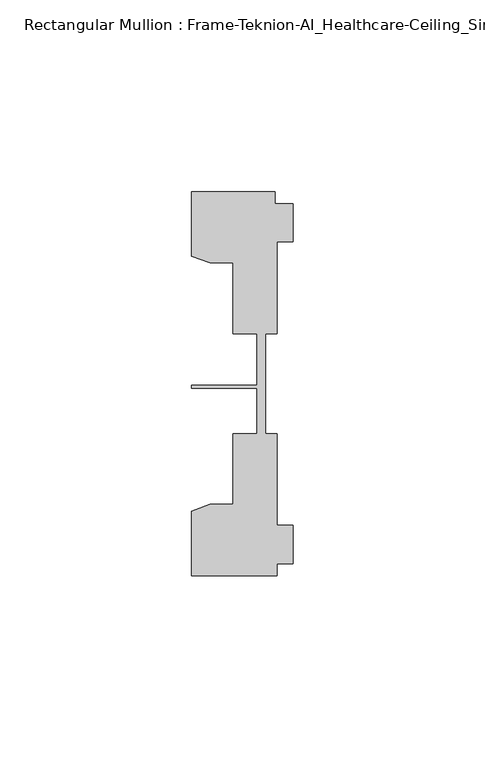
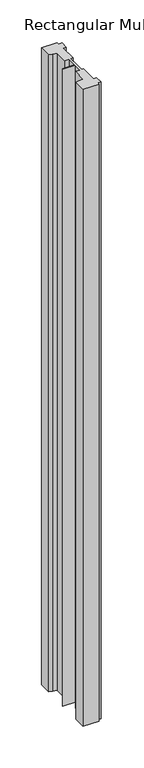
"""IFC4 building model written with IfcOpenShell, lengths in millimetres: member geometry, Rectangular Mullion : Frame-Teknion-AI_Healthcare-Ceiling_Single_Channel."""

from ifc_helpers import new_model, si_unit, frame, origin, place, context, project, spatial, polyline, outline, extrude, source, transform, mapped, element, save


def rectangular_mullion_frame_teknion_ai_healthcare_ceiling_972a67f0(model_context):
    return source(origin(), model_context, "Body", "SweptSolid", [
        extrude(outline(polyline([(-26.4921999, 34.0201677), (-26.4921999, 50.8315128), (-4.7752002, 50.8315128), (-4.7752002, 47.782071), (0.0, 47.782071), (0.0, 37.7820716), (-4.2672007, 37.7820716), (-4.2672007, 13.9110722), (-7.1647766, 13.9110722), (-7.1647766, 0.0814804), (-7.1647766, -12.2509301), (-4.2672007, -12.2509301), (-4.2672007, -36.1219249), (0.0, -36.1219249), (0.0, -46.1219322), (-4.2672007, -46.1219322), (-4.2672007, -49.1699293), (-26.4921999, -49.1699293), (-26.4921999, -32.3600207), (-21.6625199, -30.6279561), (-15.6737764, -30.6279561), (-15.6737764, -12.2509301), (-9.4507761, -12.2509301), (-9.4507761, -0.4036528), (-26.4921999, -0.4036528), (-26.4921999, 0.4036528), (-9.4507761, 0.4036528), (-9.4507761, 13.9110722), (-15.6737764, 13.9110722), (-15.6737764, 32.2880982), (-21.6625199, 32.2880982), (-26.4921999, 34.0201677)])), frame((0.0, 0.0, -933.6092012), z_axis=(0.0, 0.0, 1.0), x_axis=(1.0, 0.0, 0.0)), (0.0, 0.0, 1.0), 933.6092012),
    ])


if __name__ == "__main__":
    model = new_model("IFC4")
    model_context = context("Model", 3, world=origin())
    ifc_project = project(units=[si_unit("LENGTHUNIT", "METRE", prefix="MILLI")], contexts=[model_context])
    site = spatial("IfcSite", under=ifc_project)
    building = spatial("IfcBuilding", under=site)
    placement = place(None, origin())
    rectangular_mullion_frame_teknion_ai_healthcare_ceiling_shape = rectangular_mullion_frame_teknion_ai_healthcare_ceiling_972a67f0(model_context)
    element("IfcMember", 1, ObjectType="Rectangular Mullion : Frame-Teknion-AI_Healthcare-Ceiling_Single_Channel", at=placement, inside=building, context=model_context, shape_type="MappedRepresentation", body=[
        mapped(rectangular_mullion_frame_teknion_ai_healthcare_ceiling_shape, transform((0.0, 0.0, 0.0), x_axis=(1.0, 0.0, 0.0), y_axis=(0.0, 1.0, 0.0), z_axis=(0.0, 0.0, 1.0))),
    ])
    save(model, "model.ifc")
